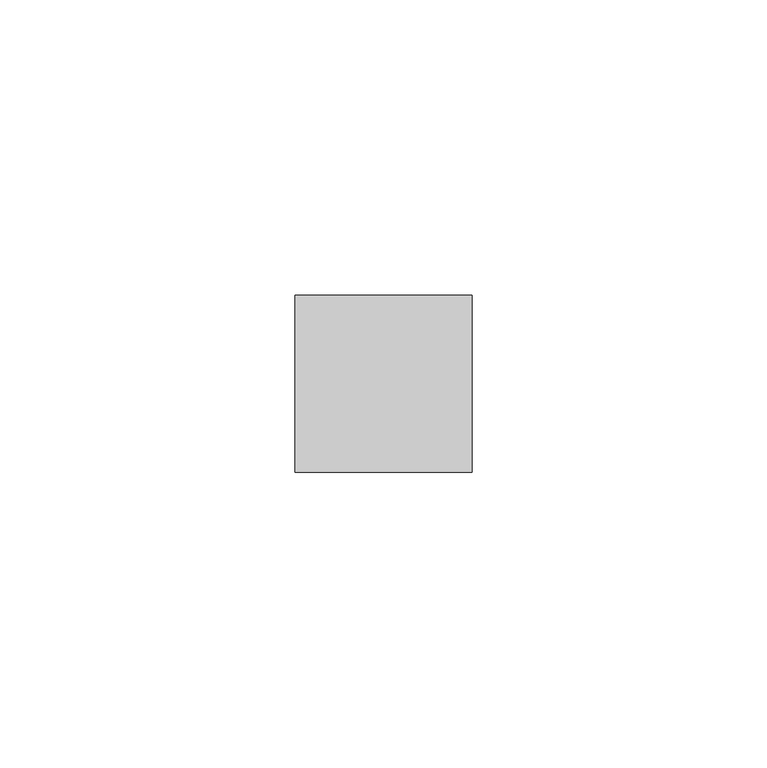
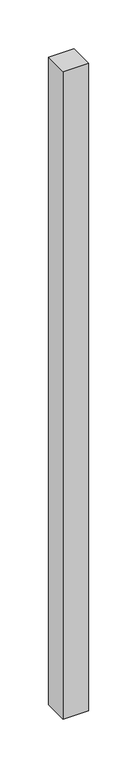
"""IFC4 building model written with IfcOpenShell, lengths in millimetres: member geometry."""

from ifc_helpers import new_model, si_unit, frame, origin, place, context, project, spatial, polyline, outline, extrude, source, transform, mapped, element, save


def member_caf341cb(model_context):
    return source(origin(), model_context, "Body", "SweptSolid", [
        extrude(outline(polyline([(15.0, 15.0), (15.0, -15.0), (-15.0, -15.0), (-15.0, 15.0), (15.0, 15.0)])), frame((0.0, 0.0, -811.5651835), z_axis=(0.0, 0.0, 1.0), x_axis=(1.0, 0.0, 0.0)), (0.0, 0.0, 1.0), 811.5651835),
    ])


if __name__ == "__main__":
    model = new_model("IFC4")
    model_context = context("Model", 3, world=origin())
    ifc_project = project(units=[si_unit("LENGTHUNIT", "METRE", prefix="MILLI")], contexts=[model_context])
    site = spatial("IfcSite", under=ifc_project)
    building = spatial("IfcBuilding", under=site)
    placement = place(None, origin())
    member_shape = member_caf341cb(model_context)
    element("IfcMember", 1, at=placement, inside=building, context=model_context, shape_type="MappedRepresentation", body=[
        mapped(member_shape, transform((0.0, 0.0, 0.0), x_axis=(1.0, 0.0, 0.0), y_axis=(0.0, 1.0, 0.0), z_axis=(0.0, 0.0, 1.0))),
    ])
    save(model, "model.ifc")
